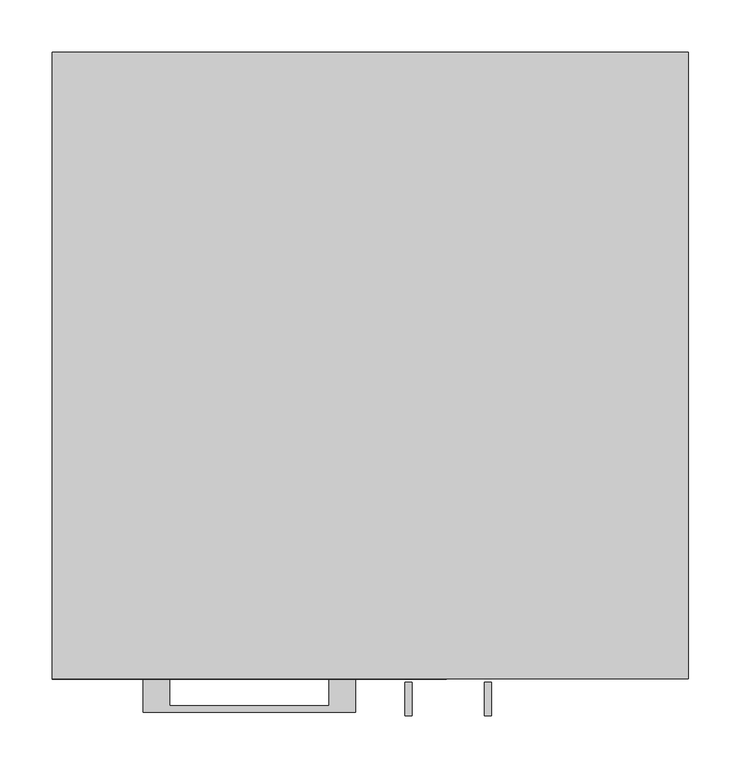
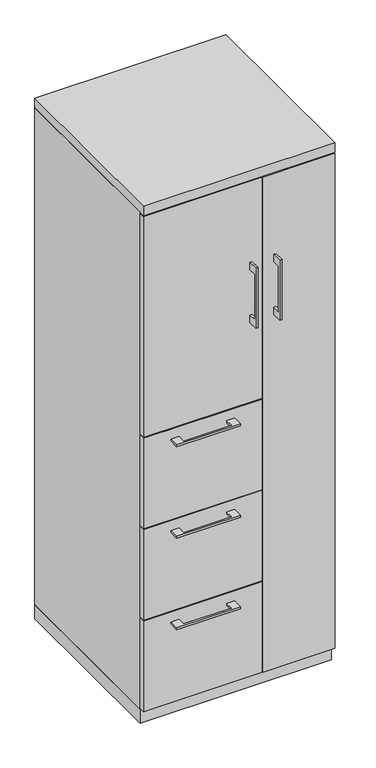
"""IFC4 building model written with IfcOpenShell, lengths in millimetres: furniture geometry."""

import ifcopenshell
import ifcopenshell.guid

model = None  # the IFC model being written
_history = None  # IfcOwnerHistory: only IFC2X3 demands one
_inside = {}  # id of a spatial element -> (the spatial element, [elements in it])
_under = {}  # id of a project, library or spatial element -> (it, [spatial elements below it])
_declared = {}  # id of a project -> (the project, [libraries it declares])
_typed = {}  # id of a type object -> (the type object, [elements of that type])
_made_of = {}  # id of a material, layer set ... -> (it, [elements and type objects made of it])


def new_model(schema):
    """Start an empty IFC model of exactly this schema.

    Asked for "IFC4X3", IfcOpenShell would pick the latest addendum, in which some entities
    have other attributes; the version numbers below select the first issue.
    IFC2X3 requires an IfcOwnerHistory on every rooted entity: one is made here for all.
    """
    global model, _history
    if schema == "IFC4X3":
        model = ifcopenshell.file(schema_version=(4, 3, 0, 0))
    else:
        model = ifcopenshell.file(schema=schema)
    _inside.clear()
    _under.clear()
    _declared.clear()
    _typed.clear()
    _made_of.clear()
    _history = None
    if model.schema == "IFC2X3":
        org = make("IfcOrganization", Name="unknown")
        user = make(
            "IfcPersonAndOrganization",
            ThePerson=make("IfcPerson", FamilyName="unknown"),
            TheOrganization=org,
        )
        app = make(
            "IfcApplication",
            ApplicationDeveloper=org,
            Version="unknown",
            ApplicationFullName="unknown",
            ApplicationIdentifier="unknown",
        )
        _history = make(
            "IfcOwnerHistory",
            OwningUser=user,
            OwningApplication=app,
            ChangeAction="ADDED",
            CreationDate=0,
        )
    return model


def make(cls, **values):
    """One entity of the class cls with the attributes given. An attribute that is None is left unset."""
    return model.create_entity(
        cls, **{name: value for name, value in values.items() if value is not None}
    )


def rooted(cls, **values):
    """An entity with a GlobalId (a new one), such as an element, a storey or a relation."""
    return make(cls, GlobalId=ifcopenshell.guid.new(), OwnerHistory=_history, **values)


def si_unit(unit_type, name, prefix=None):
    """IfcSIUnit, for example si_unit("LENGTHUNIT", "METRE", prefix="MILLI")."""
    return make("IfcSIUnit", UnitType=unit_type, Prefix=prefix, Name=name)


def assignment(units):
    """IfcUnitAssignment: the units of a project."""
    return None if units is None else make("IfcUnitAssignment", Units=units)


def point(xyz):
    """IfcCartesianPoint."""
    return None if xyz is None else make("IfcCartesianPoint", Coordinates=xyz)


def direction(xyz):
    """IfcDirection."""
    return None if xyz is None else make("IfcDirection", DirectionRatios=xyz)


def frame(location, z_axis=None, x_axis=None):
    """IfcAxis2Placement3D, a coordinate frame: its origin and axes. An axis left out is left unset."""
    return make(
        "IfcAxis2Placement3D",
        Location=point(location),
        Axis=direction(z_axis),
        RefDirection=direction(x_axis),
    )


def origin():
    """The frame at (0, 0, 0) with its axes left unset."""
    return frame((0.0, 0.0, 0.0))


def origin_with_axes():
    """The frame at (0, 0, 0) with the z axis (0, 0, 1) and the x axis (1, 0, 0) written out."""
    return frame((0.0, 0.0, 0.0), z_axis=(0.0, 0.0, 1.0), x_axis=(1.0, 0.0, 0.0))


def place(relative_to, where):
    """IfcLocalPlacement: puts the frame where relative to a parent placement (None: the world)."""
    return make(
        "IfcLocalPlacement", PlacementRelTo=relative_to, RelativePlacement=where
    )


def context(
    kind, dimensions, precision=None, world=None, true_north=None, identifier=None
):
    """IfcGeometricRepresentationContext, for example the 3D "Model" context."""
    return make(
        "IfcGeometricRepresentationContext",
        ContextIdentifier=identifier,
        ContextType=kind,
        CoordinateSpaceDimension=dimensions,
        Precision=precision,
        WorldCoordinateSystem=world,
        TrueNorth=true_north,
    )


def project(units=None, contexts=None):
    """IfcProject with its units and contexts."""
    return rooted(
        "IfcProject",
        Name="project",
        RepresentationContexts=contexts,
        UnitsInContext=assignment(units),
    )


def spatial(cls, under=None, at=None, **own):
    """A site, building, storey or space (cls), placed at a placement, below another one or the project."""
    s = rooted(cls, ObjectPlacement=at, **own)
    if under is not None:
        _under.setdefault(under.id(), (under, []))[1].append(s)
    return s


def polyline(points):
    """IfcPolyline through the points."""
    return make("IfcPolyline", Points=[point(p) for p in points])


def outline(outer, holes=None, kind="AREA"):
    """IfcArbitraryClosedProfileDef: a profile drawn as a closed curve; with holes, ...WithVoids."""
    if holes is None:
        return make("IfcArbitraryClosedProfileDef", ProfileType=kind, OuterCurve=outer)
    return make(
        "IfcArbitraryProfileDefWithVoids",
        ProfileType=kind,
        OuterCurve=outer,
        InnerCurves=holes,
    )


def extrude(swept, where, along, depth):
    """IfcExtrudedAreaSolid: the profile swept, set in the frame where, extruded along a direction by depth."""
    return make(
        "IfcExtrudedAreaSolid",
        SweptArea=swept,
        Position=where,
        ExtrudedDirection=direction(along),
        Depth=depth,
    )


def shape(context_of_items, identifier, shape_type, items):
    """IfcShapeRepresentation: the items that make up one representation, for example the "Body"."""
    return make(
        "IfcShapeRepresentation",
        ContextOfItems=context_of_items,
        RepresentationIdentifier=identifier,
        RepresentationType=shape_type,
        Items=items,
    )


def source(mapping_origin, context_of_items, identifier, shape_type, items):
    """IfcRepresentationMap: a shape defined once, which mapped items show again and again."""
    return make(
        "IfcRepresentationMap",
        MappingOrigin=mapping_origin,
        MappedRepresentation=shape(context_of_items, identifier, shape_type, items),
    )


def transform(
    local_origin,
    x_axis=None,
    y_axis=None,
    z_axis=None,
    scale=None,
    scale2=None,
    scale3=None,
    uniform=True,
):
    """IfcCartesianTransformationOperator3D, or its non-uniform kind. x_axis, y_axis, z_axis: its Axis1, 2, 3."""
    if uniform:
        return make(
            "IfcCartesianTransformationOperator3D",
            Axis1=direction(x_axis),
            Axis2=direction(y_axis),
            LocalOrigin=point(local_origin),
            Scale=scale,
            Axis3=direction(z_axis),
        )
    return make(
        "IfcCartesianTransformationOperator3DnonUniform",
        Axis1=direction(x_axis),
        Axis2=direction(y_axis),
        LocalOrigin=point(local_origin),
        Scale=scale,
        Axis3=direction(z_axis),
        Scale2=scale2,
        Scale3=scale3,
    )


def mapped(mapping_source, mapping_target):
    """IfcMappedItem: shows the shape of a source again, moved by a transform."""
    return make(
        "IfcMappedItem", MappingSource=mapping_source, MappingTarget=mapping_target
    )


def made_of(thing, what):
    """Note that an element or type object is made of a material, layer set ...; save() writes the relation."""
    if what is not None:
        _made_of.setdefault(what.id(), (what, []))[1].append(thing)
    return thing


def element(
    cls,
    number,
    at=None,
    inside=None,
    cuts=None,
    type_object=None,
    material=None,
    context=None,
    identifier="Body",
    shape_type=None,
    held_by="IfcProductDefinitionShape",
    body=None,
    shapes=None,
    **own,
):
    """One element of the class cls, such as IfcWall. Its Tag is "e" and its number.

    at: its placement. inside: the storey or other place that contains it. cuts: it is an
    opening in that element (IfcRelVoidsElement). A single representation is given by context,
    identifier, shape_type and body (its items); several are given by shapes. held_by: the class
    of the entity that holds the representations. save() writes the other relations.
    """
    e = rooted(cls, Tag="e%d" % number, ObjectPlacement=at, **own)
    if body is not None:
        shapes = [shape(context, identifier, shape_type, body)]
    if shapes is not None:
        e.Representation = make(held_by, Representations=shapes)
    if inside is not None:
        _inside.setdefault(inside.id(), (inside, []))[1].append(e)
    if cuts is not None:
        rooted(
            "IfcRelVoidsElement", RelatingBuildingElement=cuts, RelatedOpeningElement=e
        )
    if type_object is not None:
        _typed.setdefault(type_object.id(), (type_object, []))[1].append(e)
    return made_of(e, material)


def aggregate(whole, parts):
    """IfcRelAggregates: a whole, such as a stair, and the parts it consists of."""
    return rooted("IfcRelAggregates", RelatingObject=whole, RelatedObjects=parts)


def save(model, path):
    """Write the relations noted so far, then the file.

    IfcRelAggregates (storeys below a building ...), IfcRelContainedInSpatialStructure (elements
    in a storey), IfcRelDefinesByType, IfcRelAssociatesMaterial and IfcRelDeclares: one each for
    every whole, place, type object, material and project.
    """
    for whole, parts in _under.values():
        aggregate(whole, parts)
    for where, things in _inside.values():
        rooted(
            "IfcRelContainedInSpatialStructure",
            RelatedElements=things,
            RelatingStructure=where,
        )
    for kind, things in _typed.values():
        rooted("IfcRelDefinesByType", RelatedObjects=things, RelatingType=kind)
    for what, things in _made_of.values():
        rooted("IfcRelAssociatesMaterial", RelatedObjects=things, RelatingMaterial=what)
    for by, libraries in _declared.values():
        rooted("IfcRelDeclares", RelatingContext=by, RelatedDefinitions=libraries)
    model.write(path)


def furniture_0cc0c4b9(model_context):
    return source(origin(), model_context, "Body", "SweptSolid", [
        extrude(outline(polyline([(-192.0874879, -600.075), (-192.0874879, -625.4749758), (-39.6874939, -625.4749758), (-39.6874939, -600.075), (-14.2875, -600.075), (-14.2875, -631.8249879), (-217.4875, -631.8249879), (-217.4875, -600.075), (-192.0874879, -600.075)])), frame((0.0, 0.0, 931.8625506), z_axis=(0.0, 0.0, 1.0), x_axis=(1.0, 0.0, 0.0)), (0.0, 0.0, 1.0), 6.3499758),
        extrude(outline(polyline([(73.025, -581.025), (73.025, -600.075), (-304.8, -600.075), (-304.8, -581.025), (73.025, -581.025)])), frame((0.0, 0.0, 666.75), z_axis=(0.0, 0.0, 1.0), x_axis=(1.0, 0.0, 0.0)), (0.0, 0.0, 1.0), 304.8),
        extrude(outline(polyline([(-603.25, 1422.4), (-628.6499758, 1422.4), (-628.6499758, 1270.0), (-603.25, 1270.0), (-603.25, 1244.6), (-634.9999879, 1244.6), (-634.9999879, 1447.8), (-603.25, 1447.8), (-603.25, 1422.4)])), frame((33.3375121, 0.0, 0.0), z_axis=(1.0, 0.0, 0.0), x_axis=(0.0, 1.0, 0.0)), (0.0, 0.0, 1.0), 6.3499758),
        extrude(outline(polyline([(-304.8, -600.075), (-304.8, -581.025), (73.025, -581.025), (73.025, -600.075), (-304.8, -600.075)])), frame((0.0, 0.0, 974.725), z_axis=(0.0, 0.0, 1.0), x_axis=(1.0, 0.0, 0.0)), (0.0, 0.0, 1.0), 742.95),
        extrude(outline(polyline([(-192.0874879, -600.075), (-192.0874879, -625.4749758), (-39.6874939, -625.4749758), (-39.6874939, -600.075), (-14.2875, -600.075), (-14.2875, -631.8249879), (-217.4875, -631.8249879), (-217.4875, -600.075), (-192.0874879, -600.075)])), frame((0.0, 0.0, 623.8875506), z_axis=(0.0, 0.0, 1.0), x_axis=(1.0, 0.0, 0.0)), (0.0, 0.0, 1.0), 6.3499758),
        extrude(outline(polyline([(73.025, -581.025), (73.025, -600.075), (-304.8, -600.075), (-304.8, -581.025), (73.025, -581.025)])), frame((0.0, 0.0, 358.775), z_axis=(0.0, 0.0, 1.0), x_axis=(1.0, 0.0, 0.0)), (0.0, 0.0, 1.0), 304.8),
        extrude(outline(polyline([(-603.25, 1422.4), (-628.6499758, 1422.4), (-628.6499758, 1270.0), (-603.25, 1270.0), (-603.25, 1244.6), (-634.9999879, 1244.6), (-634.9999879, 1447.8), (-603.25, 1447.8), (-603.25, 1422.4)])), frame((109.5375121, 0.0, 0.0), z_axis=(1.0, 0.0, 0.0), x_axis=(0.0, 1.0, 0.0)), (0.0, 0.0, 1.0), 6.3499758),
        extrude(outline(polyline([(304.8, -600.075), (76.2, -600.075), (76.2, -581.025), (304.8, -581.025), (304.8, -600.075)])), frame((0.0, 0.0, 50.8), z_axis=(0.0, 0.0, 1.0), x_axis=(1.0, 0.0, 0.0)), (0.0, 0.0, 1.0), 1666.875),
        extrude(outline(polyline([(-192.0874879, -600.075), (-192.0874879, -625.4749758), (-39.6874939, -625.4749758), (-39.6874939, -600.075), (-14.2875, -600.075), (-14.2875, -631.8249879), (-217.4875, -631.8249879), (-217.4875, -600.075), (-192.0874879, -600.075)])), frame((0.0, 0.0, 315.9125506), z_axis=(0.0, 0.0, 1.0), x_axis=(1.0, 0.0, 0.0)), (0.0, 0.0, 1.0), 6.3499758),
        extrude(outline(polyline([(73.025, -581.025), (73.025, -600.075), (-304.8, -600.075), (-304.8, -581.025), (73.025, -581.025)])), frame((0.0, 0.0, 50.8), z_axis=(0.0, 0.0, 1.0), x_axis=(1.0, 0.0, 0.0)), (0.0, 0.0, 1.0), 304.8),
        extrude(outline(polyline([(-304.8, -581.025), (-304.8, 0.0), (76.2, 0.0), (76.2, -581.025), (-304.8, -581.025)])), frame((0.0, 0.0, 47.625), z_axis=(0.0, 0.0, 1.0), x_axis=(1.0, 0.0, 0.0)), (0.0, 0.0, 1.0), 1673.225),
        extrude(outline(polyline([(304.8, 0.0), (304.8, -581.025), (285.75, -581.025), (285.75, -19.05), (76.2, -19.05), (76.2, 0.0), (304.8, 0.0)])), frame((0.0, 0.0, 47.625), z_axis=(0.0, 0.0, 1.0), x_axis=(1.0, 0.0, 0.0)), (0.0, 0.0, 1.0), 1673.225),
        extrude(outline(polyline([(304.8, 0.0), (304.8, -600.075), (-304.8, -600.075), (-304.8, 0.0), (304.8, 0.0)])), frame((0.0, 0.0, 1720.85), z_axis=(0.0, 0.0, 1.0), x_axis=(1.0, 0.0, 0.0)), (0.0, 0.0, 1.0), 31.75),
        extrude(outline(polyline([(304.8, 0.0), (304.8, -581.025), (-304.8, -581.025), (-304.8, 0.0), (304.8, 0.0)])), origin_with_axes(), (0.0, 0.0, 1.0), 47.625),
    ])


if __name__ == "__main__":
    model = new_model("IFC4")
    model_context = context("Model", 3, world=origin())
    ifc_project = project(units=[si_unit("LENGTHUNIT", "METRE", prefix="MILLI")], contexts=[model_context])
    site = spatial("IfcSite", under=ifc_project)
    building = spatial("IfcBuilding", under=site)
    placement = place(None, origin())
    furniture_shape = furniture_0cc0c4b9(model_context)
    element("IfcFurniture", 1, at=placement, inside=building, context=model_context, shape_type="MappedRepresentation", body=[
        mapped(furniture_shape, transform((0.0, 0.0, 0.0), x_axis=(1.0, 0.0, 0.0), y_axis=(0.0, 1.0, 0.0), z_axis=(0.0, 0.0, 1.0))),
    ])
    save(model, "model.ifc")
